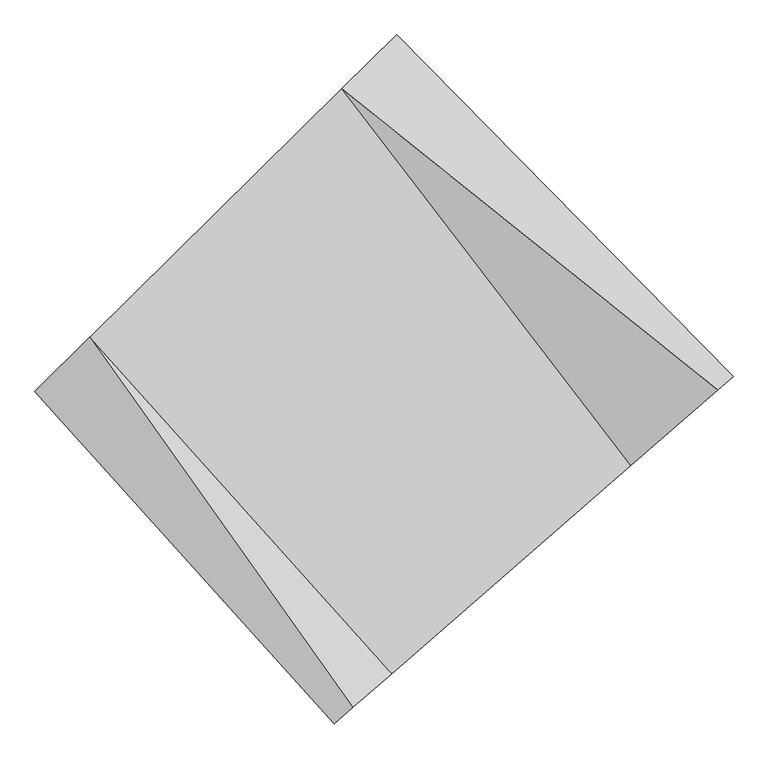
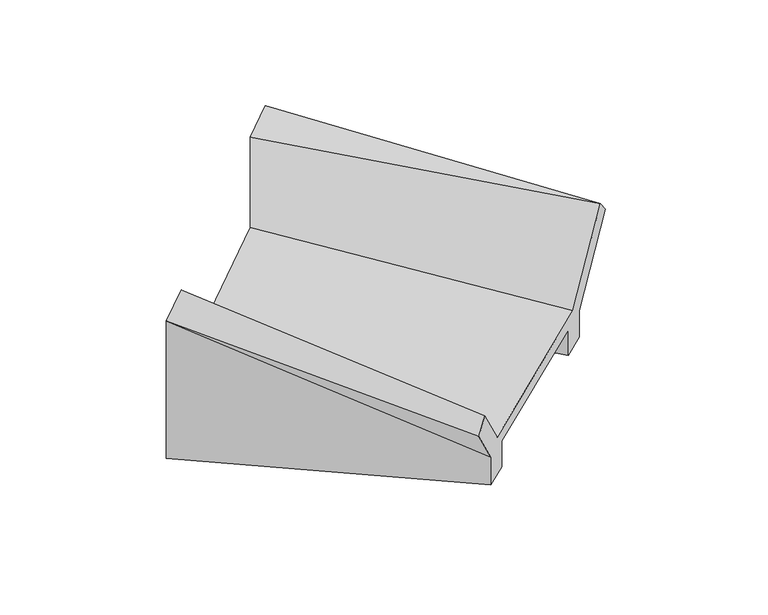
"""IFC4 building model written with IfcOpenShell, lengths in millimetres: geographic element geometry."""

from ifc_helpers import new_model, si_unit, frame, origin, place, context, project, spatial, source, transform, mapped, element, save
from ifc_brep_helpers import plane_surface, spline_curve, spline_surface, advanced_brep


def geographic_element_b61571b7(model_context):
    return source(origin(), model_context, "Body", "AdvancedBrep", [
        advanced_brep(
        [(-215769.1218259, 49954.8146136, 7455.2927314), (-212496.4289674, 53180.7035913, 7455.2927314), (-212496.4289669, 53180.7035918, 9403.0904246), (-211784.9739976, 53881.9838045, 9403.0904243), (-211784.9739984, 53881.9838036, 6255.2927311), (-212709.8654584, 52970.3195273, 6255.2927314), (-212709.8654583, 52970.3195275, 7205.2927314), (-215555.6853353, 50165.1986772, 7205.2927314), (-215555.6853354, 50165.1986771, 6255.2927319), (-216480.5767954, 49253.5344008, 6255.2927323), (-216480.5767946, 49253.5344017, 9209.608199), (-215769.1218254, 49954.8146142, 9209.6081986), (-211851.9498769, 45586.5945597, 7311.3899515), (-212354.6780795, 45149.0169557, 8215.8723763), (-212597.8810576, 44937.3316438, 7979.2033275), (-212115.7261547, 45357.0021258, 7111.8801566), (-212115.7261547, 45357.0021258, 6511.3902155), (-211663.4036775, 45750.7062879, 6511.3902153), (-211663.4036775, 45750.7062879, 7061.3899515), (-208933.945286, 48126.4430315, 7061.3899515), (-208933.945286, 48126.4430315, 6511.390215), (-208481.6228088, 48520.1471937, 6511.3902148), (-208481.6228088, 48520.1471937, 7086.7344378), (-207418.5673876, 49445.436926, 8333.6028765), (-207618.7489713, 49271.1976904, 8632.8492485), (-208745.3990862, 48290.5547601, 7311.3899515)],
        [
            (0, 1),
            (1, 2),
            (2, 3),
            (3, 4),
            (4, 5),
            (5, 6),
            (6, 7),
            (7, 8),
            (8, 9),
            (9, 10),
            (10, 11),
            (11, 0),
            (12, 13),
            (13, 14),
            (14, 15),
            (15, 16),
            (16, 17),
            (17, 18),
            (18, 19),
            (19, 20),
            (20, 21),
            (21, 22),
            (22, 23),
            (23, 24),
            (24, 25),
            (25, 12),
            (25, 1, spline_curve(3, [(-208745.3990862, 48290.5547601, 7311.3899515), (-209940.907647874, 49954.41151767, 7359.357544955), (-211191.872347425, 51585.670488033, 7407.325137945), (-212496.4289674, 53180.7035913, 7455.2927314)], [4, 4], [0.0, 19.72889327718434])),
            (0, 12, spline_curve(3, [(-215769.1218259, 49954.8146136, 7455.2927314), (-214418.014314045, 48538.961336685, 7407.325137945), (-213111.484206223, 47081.928278847, 7359.357544955), (-211851.9498769, 45586.5945597, 7311.3899515)], [4, 4], [0.0, 19.72889327718434])),
            (24, 2, spline_curve(3, [(-207618.7489713, 49271.1976904, 8632.8492485), (-209210.065695513, 50631.447812666, 8889.596307462), (-210837.288439031, 51935.183372956, 9146.343365638), (-212496.4289669, 53180.7035918, 9403.0904246)], [4, 4], [0.0, 20.275409334339372])),
            (23, 3, spline_curve(3, [(-207418.5673876, 49445.436926, 8333.6028765), (-208829.036585243, 50970.366126455, 8690.098726031), (-210285.496114979, 52450.107226637, 9046.594574769), (-211784.9739976, 53881.9838045, 9403.0904243)], [4, 4], [0.0, 20.654868952162786])),
            (22, 3, spline_curve(3, [(-208481.6228088, 48520.1471937, 7086.7344378), (-209518.625562099, 50331.545703087, 7858.853099743), (-210620.065242264, 52120.322884598, 8630.971762357), (-211784.9739976, 53881.9838045, 9403.0904243)], [4, 4], [0.0, 21.157059769019867])),
            (21, 4, spline_curve(3, [(-208481.6228088, 48520.1471937, 6511.3902148), (-209518.625561844, 50331.545703317, 6426.024387176), (-210620.065243355, 52120.322884094, 6340.658558724), (-211784.9739984, 53881.9838036, 6255.2927311)], [4, 4], [0.0, 20.939514377152193])),
            (20, 5, spline_curve(3, [(-208933.945286, 48126.4430315, 6511.390215), (-210138.56714047, 49775.521668981, 6426.02438709), (-211397.849483242, 51391.332231319, 6340.65855931), (-212709.8654584, 52970.3195273, 6255.2927314)], [4, 4], [0.0, 20.39537387996225])),
            (19, 6, spline_curve(3, [(-208933.945286, 48126.4430315, 7061.3899515), (-210138.567140598, 49775.521668972, 7109.35754504), (-211397.849482739, 51391.332231624, 7157.32513786), (-212709.8654583, 52970.3195275, 7205.2927314)], [4, 4], [0.0, 20.153702783504883])),
            (18, 7, spline_curve(3, [(-211663.4036775, 45750.7062879, 7061.3899515), (-212913.824714121, 47260.818126583, 7109.357544955), (-214212.037178576, 48733.29959282, 7157.325137945), (-215555.6853353, 50165.1986772, 7205.2927314)], [4, 4], [0.0, 19.728893277171068])),
            (17, 8, spline_curve(3, [(-211663.4036775, 45750.7062879, 6511.3902153), (-212913.824713997, 47260.818126906, 6426.024387793), (-214212.03717885, 48733.299592715, 6340.658559407), (-215555.6853354, 50165.1986771, 6255.2927319)], [4, 4], [0.0, 19.312518305246584])),
            (16, 9, spline_curve(3, [(-212115.7261547, 45357.0021258, 6511.3902155), (-213533.766292629, 46704.794092599, 6426.024387721), (-214989.821418726, 48004.308940388, 6340.658560079), (-216480.5767954, 49253.5344008, 6255.2927323)], [4, 4], [0.0, 19.239394961518542])),
            (15, 10, spline_curve(3, [(-212115.7261547, 45357.0021258, 7111.8801566), (-213533.766292612, 46704.794093083, 7811.122837251), (-214989.821418032, 48004.308940668, 8510.365518349), (-216480.5767946, 49253.5344017, 9209.608199)], [4, 4], [0.0, 19.43532773428751])),
            (14, 10, spline_curve(3, [(-212597.8810576, 44937.3316438, 7979.2033275), (-213846.533340748, 46415.053414389, 8389.338284797), (-215141.567170914, 47854.733355121, 8799.473241703), (-216480.5767946, 49253.5344017, 9209.608199)], [4, 4], [0.0, 19.860952797957452])),
            (13, 11, spline_curve(3, [(-212354.6780795, 45149.0169557, 8215.8723763), (-213437.596862192, 46779.824515582, 8547.11765051), (-214576.234978976, 48383.003438139, 8878.36292439), (-215769.1218254, 49954.8146142, 9209.6081986)], [4, 4], [0.0, 19.50959435521756])),
        ],
        [
            plane_surface(frame((-214132.7753966, 51567.7591025, 7630.6449249), z_axis=(-0.7019958726059716, 0.7121810126956352, 0.0), x_axis=(-0.7121810126956352, -0.7019958726059716, 3.1374574763040555e-10))),
            plane_surface(frame((-210212.6157367, 47013.480701, 7296.5187921), z_axis=(0.6565397350423969, -0.7542914399026808, 0.0), x_axis=(0.7542914399026808, 0.6565397350423969, 0.0))),
            spline_surface(3, 3, [[(-211851.9498769, 45586.5945597, 7311.3899515), (-213111.48420647, 47081.928278548, 7359.357544783), (-214418.014313727, 48538.961336423, 7407.325138117), (-215769.1218259, 49954.8146136, 7455.2927314)], [(-210816.432946661, 46487.914626515, 7311.3899515), (-212054.625353614, 48039.422691606, 7359.357544783), (-213342.633658281, 49554.53105368, 7407.325138117), (-214678.224206388, 51030.110939508, 7455.2927314)], [(-209780.916016439, 47389.234693285, 7311.3899515), (-210997.766500776, 48996.917104618, 7359.357544783), (-212267.25300287, 50570.100770915, 7407.325138117), (-213587.326586912, 52105.407265392, 7455.2927314)], [(-208745.3990862, 48290.5547601, 7311.3899515), (-209940.90764792, 49954.411517676, 7359.357544783), (-211191.872347423, 51585.670488172, 7407.325138117), (-212496.4289674, 53180.7035913, 7455.2927314)]], [4, 4], [4, 4], [0.0, 14.2943112040386], [0.0, 19.72889327718434]),
            spline_surface(3, 3, [[(-208745.3990862, 48290.5547601, 7311.3899515), (-209940.90764792, 49954.411517676, 7359.357544783), (-211191.872347423, 51585.670488172, 7407.325138117), (-212496.4289674, 53180.7035913, 7455.2927314)], [(-208369.849047922, 48617.435736846, 7751.876383839), (-209697.293663764, 50180.090282575, 7869.437132259), (-211073.677711295, 51702.174783067, 7986.997880731), (-212496.428967244, 53180.703591454, 8104.558629151)], [(-207994.299009578, 48944.316713654, 8192.362816161), (-209453.679679543, 50405.769047536, 8379.516719719), (-210955.483075136, 51818.679078, 8566.670623291), (-212496.428967056, 53180.703591646, 8753.824526849)], [(-207618.7489713, 49271.1976904, 8632.8492485), (-209210.065695387, 50631.447812435, 8889.596307195), (-210837.288439007, 51935.183372895, 9146.343365905), (-212496.4289669, 53180.7035918, 9403.0904246)]], [4, 4], [4, 4], [0.0, 5.896172746616051], [0.0, 20.275409334339372]),
            spline_surface(3, 3, [[(-207618.7489713, 49271.1976904, 8632.8492485), (-209210.065695387, 50631.447812435, 8889.596307195), (-210837.288439007, 51935.183372895, 9146.343365905), (-212496.4289669, 53180.7035918, 9403.0904246)], [(-207552.021776733, 49329.277435606, 8533.100457813), (-209083.055992039, 50744.420583806, 8823.097113365), (-210653.357664372, 52106.824657358, 9113.093768932), (-212259.277310437, 53414.463662696, 9403.090424484)], [(-207485.294582167, 49387.357180794, 8433.351667187), (-208956.04628869, 50857.393355159, 8756.597919596), (-210469.426889825, 52278.465941833, 9079.844172008), (-212022.125654063, 53648.223733604, 9403.090424416)], [(-207418.5673876, 49445.436926, 8333.6028765), (-208829.036585343, 50970.366126531, 8690.098725766), (-210285.49611519, 52450.107226295, 9046.594575034), (-211784.9739976, 53881.9838045, 9403.0904243)]], [4, 4], [4, 4], [0.0, 2.1313984128468606], [0.0, 20.654868952162786]),
            spline_surface(3, 3, [[(-207418.5673876, 49445.436926, 8333.6028765), (-208829.036585343, 50970.366126531, 8690.098725766), (-210285.49611519, 52450.107226295, 9046.594575034), (-211784.9739976, 53881.9838045, 9403.0904243)], [(-207772.919194637, 49137.007015229, 7917.980063599), (-209058.899577453, 50757.425985447, 8413.016850498), (-210397.019157627, 52340.179112381, 8908.0536374), (-211784.9739976, 53881.9838045, 9403.0904243)], [(-208127.271001763, 48828.577104471, 7502.357250701), (-209288.762569651, 50544.485844376, 8135.934975235), (-210508.542200064, 52230.250998467, 8769.512699767), (-211784.9739976, 53881.9838045, 9403.0904243)], [(-208481.6228088, 48520.1471937, 7086.7344378), (-209518.625561761, 50331.545703293, 7858.853099967), (-210620.065242501, 52120.322884552, 8630.971762133), (-211784.9739976, 53881.9838045, 9403.0904243)]], [4, 4], [4, 4], [0.0, 3.086836526849473], [0.0, 21.157059769019867]),
            spline_surface(3, 3, [[(-208481.6228088, 48520.1471937, 7086.7344378), (-209518.625561761, 50331.545703293, 7858.853099967), (-210620.065242501, 52120.322884552, 8630.971762133), (-211784.9739976, 53881.9838045, 9403.0904243)], [(-208481.6228088, 48520.1471937, 6894.953030145), (-209518.625561858, 50331.545703208, 7381.243528958), (-210620.06524269, 52120.322884377, 7867.53402777), (-211784.973997876, 53881.983804228, 8353.824526584)], [(-208481.6228088, 48520.1471937, 6703.171622455), (-209518.625561956, 50331.545703123, 6903.633957915), (-210620.065242853, 52120.322884117, 7104.096293357), (-211784.973998124, 53881.983803872, 7304.558628816)], [(-208481.6228088, 48520.1471937, 6511.3902148), (-209518.625562053, 50331.545703038, 6426.024386906), (-210620.065243042, 52120.322883941, 6340.658558994), (-211784.9739984, 53881.9838036, 6255.2927311)]], [4, 4], [4, 4], [0.0, 6.107516266593034], [0.0, 20.939514377152193]),
            spline_surface(3, 3, [[(-208481.6228088, 48520.1471937, 6511.3902148), (-209518.625562053, 50331.545703038, 6426.024386906), (-210620.065243042, 52120.322883941, 6340.658558994), (-211784.9739984, 53881.9838036, 6255.2927311)], [(-208632.396967876, 48388.912472988, 6511.390214858), (-209725.272754925, 50146.204358397, 6426.024386977), (-210879.326656405, 51877.325999837, 6340.658559078), (-212093.271151743, 53578.095711493, 6255.292731197)], [(-208783.171126924, 48257.677752212, 6511.390214942), (-209931.91994777, 49960.863013692, 6426.024387074), (-211138.58806974, 51634.329115753, 6340.658559171), (-212401.568305057, 53274.207619407, 6255.292731303)], [(-208933.945286, 48126.4430315, 6511.390215), (-210138.567140642, 49775.52166905, 6426.024387145), (-211397.849483103, 51391.332231648, 6340.658559255), (-212709.8654584, 52970.3195273, 6255.2927314)]], [4, 4], [4, 4], [0.0, 3.1140748389767046], [0.0, 20.39537387996225]),
            spline_surface(3, 3, [[(-208933.945286, 48126.4430315, 6511.390215), (-210138.567140642, 49775.52166905, 6426.024387145), (-211397.849483103, 51391.332231648, 6340.658559255), (-212709.8654584, 52970.3195273, 6255.2927314)], [(-208933.945286, 48126.4430315, 6694.723460513), (-210138.567140626, 49775.521669065, 6653.802106371), (-211397.849483071, 51391.332231678, 6612.880752194), (-212709.865458353, 52970.319527347, 6571.959398051)], [(-208933.945286, 48126.4430315, 6878.056705987), (-210138.567140609, 49775.52166908, 6881.579825557), (-211397.84948308, 51391.332231768, 6885.102945179), (-212709.865458347, 52970.319527453, 6888.626064749)], [(-208933.945286, 48126.4430315, 7061.3899515), (-210138.567140592, 49775.521669094, 7109.357544783), (-211397.849483047, 51391.332231799, 7157.325138117), (-212709.8654583, 52970.3195275, 7205.2927314)]], [4, 4], [4, 4], [0.0, 2.460629488999004], [0.0, 20.153702783504883]),
            spline_surface(3, 3, [[(-208933.945286, 48126.4430315, 7061.3899515), (-210138.567140592, 49775.521669094, 7109.357544783), (-211397.849483047, 51391.332231799, 7157.325138117), (-212709.8654583, 52970.3195275, 7205.2927314)], [(-209843.764749855, 47334.530783612, 7061.3899515), (-211063.652998451, 48937.287154973, 7109.357544783), (-212335.912048198, 50505.321352066, 7157.325138117), (-213658.472083971, 52035.279244094, 7205.2927314)], [(-210753.584213645, 46542.618535788, 7061.3899515), (-211988.738856245, 48099.052640916, 7109.357544783), (-213273.974613337, 49619.310472253, 7157.325138117), (-214607.078709629, 51100.238960606, 7205.2927314)], [(-211663.4036775, 45750.7062879, 7061.3899515), (-212913.824714104, 47260.818126795, 7109.357544783), (-214212.037178488, 48733.299592521, 7157.325138117), (-215555.6853353, 50165.1986772, 7205.2927314)]], [4, 4], [4, 4], [0.0, 12.490968702465327], [0.0, 19.728893277171068]),
            spline_surface(3, 3, [[(-211663.4036775, 45750.7062879, 7061.3899515), (-212913.824714104, 47260.818126795, 7109.357544783), (-214212.037178488, 48733.299592521, 7157.325138117), (-215555.6853353, 50165.1986772, 7205.2927314)], [(-211663.4036775, 45750.7062879, 6878.056706103), (-212913.82471412, 47260.818126781, 6881.579825686), (-214212.03717852, 48733.299592491, 6885.102945321), (-215555.685335346, 50165.198677154, 6888.626064904)], [(-211663.4036775, 45750.7062879, 6694.723460697), (-212913.824714137, 47260.818126767, 6653.80210658), (-214212.037178513, 48733.299592499, 6612.880752513), (-215555.685335354, 50165.198677146, 6571.959398396)], [(-211663.4036775, 45750.7062879, 6511.3902153), (-212913.824714153, 47260.818126752, 6426.024387484), (-214212.037178545, 48733.29959247, 6340.658559716), (-215555.6853354, 50165.1986771, 6255.2927319)]], [4, 4], [4, 4], [0.0, 2.460629487662416], [0.0, 19.312518305246584]),
            spline_surface(3, 3, [[(-211663.4036775, 45750.7062879, 6511.3902153), (-212913.824714153, 47260.818126752, 6426.024387484), (-214212.037178545, 48733.29959247, 6340.658559716), (-215555.6853354, 50165.1986771, 6255.2927319)], [(-211814.177836556, 45619.471567205, 6511.390215339), (-213120.471907006, 47075.476782129, 6426.024387555), (-214471.298591889, 48490.302708383, 6340.65855982), (-215863.982488724, 49861.310585012, 6255.292732036)], [(-211964.951995644, 45488.236846495, 6511.390215461), (-213327.11909989, 46890.135437489, 6426.02438771), (-214730.560005261, 48247.305824262, 6340.658559916), (-216172.279642076, 49557.422492888, 6255.292732164)], [(-212115.7261547, 45357.0021258, 6511.3902155), (-213533.766292743, 46704.794092866, 6426.024387781), (-214989.821418605, 48004.308940175, 6340.658560019), (-216480.5767954, 49253.5344008, 6255.2927323)]], [4, 4], [4, 4], [0.0, 3.1140748387178423], [0.0, 19.239394961518542]),
            spline_surface(3, 3, [[(-212115.7261547, 45357.0021258, 6511.3902155), (-213533.766292743, 46704.794092866, 6426.024387781), (-214989.821418605, 48004.308940175, 6340.658560019), (-216480.5767954, 49253.5344008, 6255.2927323)], [(-212115.7261547, 45357.0021258, 6711.553529209), (-213533.766292647, 46704.79409295, 6887.723870997), (-214989.821418417, 48004.308940349, 7063.894212742), (-216480.576795127, 49253.534401069, 7240.06455453)], [(-212115.7261547, 45357.0021258, 6911.716842891), (-213533.76629255, 46704.794093034, 7349.423354186), (-214989.821418249, 48004.308940615, 7787.129865475), (-216480.576794873, 49253.534401431, 8224.83637677)], [(-212115.7261547, 45357.0021258, 7111.8801566), (-213533.766292454, 46704.794093118, 7811.122837402), (-214989.821418061, 48004.308940789, 8510.365518198), (-216480.5767946, 49253.5344017, 9209.608199)]], [4, 4], [4, 4], [0.0, 5.8313737004867825], [0.0, 19.43532773428751]),
            spline_surface(3, 3, [[(-212115.7261547, 45357.0021258, 7111.8801566), (-213533.766292454, 46704.794093118, 7811.122837402), (-214989.821418061, 48004.308940789, 8510.365518198), (-216480.5767946, 49253.5344017, 9209.608199)], [(-212276.444455649, 45217.111965128, 7400.987880239), (-213638.02197511, 46608.213866916, 8003.861319828), (-215040.403335639, 47954.450412219, 8606.734759411), (-216480.5767946, 49253.5344017, 9209.608199)], [(-212437.162756651, 45077.221804472, 7690.095603861), (-213742.277657818, 46511.63364073, 8196.599802236), (-215090.985253217, 47904.59188365, 8703.104000624), (-216480.5767946, 49253.5344017, 9209.608199)], [(-212597.8810576, 44937.3316438, 7979.2033275), (-213846.533340474, 46415.053414528, 8389.338284662), (-215141.567170795, 47854.73335508, 8799.473241838), (-216480.5767946, 49253.5344017, 9209.608199)]], [4, 4], [4, 4], [0.0, 1.7674305921385465], [0.0, 19.860952797957452]),
            spline_surface(3, 3, [[(-212597.8810576, 44937.3316438, 7979.2033275), (-213846.533340474, 46415.053414528, 8389.338284662), (-215141.567170795, 47854.73335508, 8799.473241838), (-216480.5767946, 49253.5344017, 9209.608199)], [(-212516.813398257, 45007.893414449, 8058.093010416), (-213710.221181011, 46536.643781537, 8441.931406568), (-214953.12310678, 48030.823382857, 8825.769802732), (-216243.425138196, 49487.294472539, 9209.608198884)], [(-212435.745738843, 45078.455185051, 8136.982693384), (-213573.909021475, 46658.234148497, 8494.524528524), (-214764.679042778, 48206.913410618, 8852.066363576), (-216006.273481804, 49721.054543361, 9209.608198716)], [(-212354.6780795, 45149.0169557, 8215.8723763), (-213437.596862012, 46779.824515506, 8547.11765043), (-214576.234978762, 48383.003438394, 8878.36292447), (-215769.1218254, 49954.8146142, 9209.6081986)]], [4, 4], [4, 4], [0.0, 2.202154052948564], [0.0, 19.50959435521756]),
            spline_surface(3, 3, [[(-212354.6780795, 45149.0169557, 8215.8723763), (-213437.596862012, 46779.824515506, 8547.11765043), (-214576.234978762, 48383.003438394, 8878.36292447), (-215769.1218254, 49954.8146142, 9209.6081986)], [(-212187.102011952, 45294.876157021, 7914.378234727), (-213328.892643483, 46880.52576984, 8151.197615241), (-214523.494757113, 48434.989404411, 8388.016995666), (-215769.121825596, 49954.814614007, 8624.83637618)], [(-212019.525944448, 45440.735358379, 7612.884093073), (-213220.188424998, 46981.227024213, 7755.277579971), (-214470.754535376, 48486.975370407, 7897.671066922), (-215769.121825704, 49954.814613793, 8040.06455382)], [(-211851.9498769, 45586.5945597, 7311.3899515), (-213111.48420647, 47081.928278548, 7359.357544783), (-214418.014313727, 48538.961336423, 7407.325138117), (-215769.1218259, 49954.8146136, 7455.2927314)]], [4, 4], [4, 4], [0.0, 4.496491319678236], [0.0, 19.35754577159858]),
        ],
        [
            (0, [[1, 2, 3, 4, 5, 6, 7, 8, 9, 10, 11, 12]]),
            (1, [[13, 14, 15, 16, 17, 18, 19, 20, 21, 22, 23, 24, 25, 26]]),
            (2, [[-26, 27, -1, 28]]),
            (3, [[-25, 29, -2, -27]]),
            (4, [[-24, 30, -3, -29]]),
            (5, [[-23, 31, -30]]),
            (6, [[-22, 32, -4, -31]]),
            (7, [[-21, 33, -5, -32]]),
            (8, [[-20, 34, -6, -33]]),
            (9, [[-19, 35, -7, -34]]),
            (10, [[-18, 36, -8, -35]]),
            (11, [[-17, 37, -9, -36]]),
            (12, [[-16, 38, -10, -37]]),
            (13, [[-15, 39, -38]]),
            (14, [[-14, 40, -11, -39]]),
            (15, [[-13, -28, -12, -40]]),
        ],
    ),
    ])


if __name__ == "__main__":
    model = new_model("IFC4")
    model_context = context("Model", 3, world=origin())
    ifc_project = project(units=[si_unit("LENGTHUNIT", "METRE", prefix="MILLI")], contexts=[model_context])
    site = spatial("IfcSite", under=ifc_project)
    building = spatial("IfcBuilding", under=site)
    placement = place(None, origin())
    geographic_element_shape = geographic_element_b61571b7(model_context)
    element("IfcGeographicElement", 1, at=placement, inside=building, context=model_context, shape_type="MappedRepresentation", body=[
        mapped(geographic_element_shape, transform((0.0, 0.0, 0.0), x_axis=(1.0, 0.0, 0.0), y_axis=(0.0, 1.0, 0.0), z_axis=(0.0, 0.0, 1.0))),
    ])
    save(model, "model.ifc")
